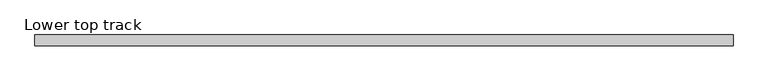
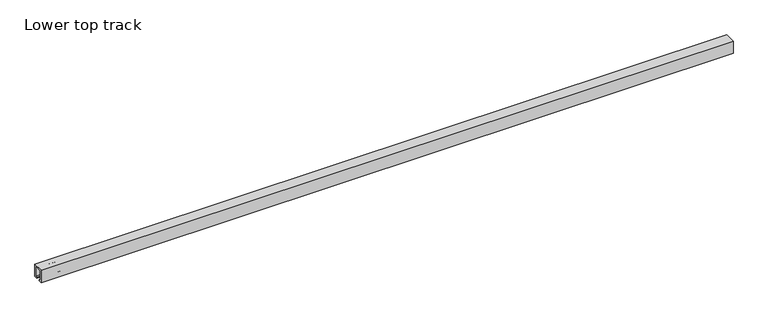
"""IFC4 building model written with IfcOpenShell, lengths in millimetres: proxy geometry, Lower top track."""

import ifcopenshell
import ifcopenshell.guid

model = None  # the IFC model being written
_history = None  # IfcOwnerHistory: only IFC2X3 demands one
_inside = {}  # id of a spatial element -> (the spatial element, [elements in it])
_under = {}  # id of a project, library or spatial element -> (it, [spatial elements below it])
_declared = {}  # id of a project -> (the project, [libraries it declares])
_typed = {}  # id of a type object -> (the type object, [elements of that type])
_made_of = {}  # id of a material, layer set ... -> (it, [elements and type objects made of it])


def new_model(schema):
    """Start an empty IFC model of exactly this schema.

    Asked for "IFC4X3", IfcOpenShell would pick the latest addendum, in which some entities
    have other attributes; the version numbers below select the first issue.
    IFC2X3 requires an IfcOwnerHistory on every rooted entity: one is made here for all.
    """
    global model, _history
    if schema == "IFC4X3":
        model = ifcopenshell.file(schema_version=(4, 3, 0, 0))
    else:
        model = ifcopenshell.file(schema=schema)
    _inside.clear()
    _under.clear()
    _declared.clear()
    _typed.clear()
    _made_of.clear()
    _history = None
    if model.schema == "IFC2X3":
        org = make("IfcOrganization", Name="unknown")
        user = make(
            "IfcPersonAndOrganization",
            ThePerson=make("IfcPerson", FamilyName="unknown"),
            TheOrganization=org,
        )
        app = make(
            "IfcApplication",
            ApplicationDeveloper=org,
            Version="unknown",
            ApplicationFullName="unknown",
            ApplicationIdentifier="unknown",
        )
        _history = make(
            "IfcOwnerHistory",
            OwningUser=user,
            OwningApplication=app,
            ChangeAction="ADDED",
            CreationDate=0,
        )
    return model


def make(cls, **values):
    """One entity of the class cls with the attributes given. An attribute that is None is left unset."""
    return model.create_entity(
        cls, **{name: value for name, value in values.items() if value is not None}
    )


def rooted(cls, **values):
    """An entity with a GlobalId (a new one), such as an element, a storey or a relation."""
    return make(cls, GlobalId=ifcopenshell.guid.new(), OwnerHistory=_history, **values)


def si_unit(unit_type, name, prefix=None):
    """IfcSIUnit, for example si_unit("LENGTHUNIT", "METRE", prefix="MILLI")."""
    return make("IfcSIUnit", UnitType=unit_type, Prefix=prefix, Name=name)


def assignment(units):
    """IfcUnitAssignment: the units of a project."""
    return None if units is None else make("IfcUnitAssignment", Units=units)


def point(xyz):
    """IfcCartesianPoint."""
    return None if xyz is None else make("IfcCartesianPoint", Coordinates=xyz)


def direction(xyz):
    """IfcDirection."""
    return None if xyz is None else make("IfcDirection", DirectionRatios=xyz)


def frame(location, z_axis=None, x_axis=None):
    """IfcAxis2Placement3D, a coordinate frame: its origin and axes. An axis left out is left unset."""
    return make(
        "IfcAxis2Placement3D",
        Location=point(location),
        Axis=direction(z_axis),
        RefDirection=direction(x_axis),
    )


def frame_2d(location, x_axis=None):
    """IfcAxis2Placement2D, a coordinate frame in the plane: its origin and x axis."""
    return make(
        "IfcAxis2Placement2D", Location=point(location), RefDirection=direction(x_axis)
    )


def origin():
    """The frame at (0, 0, 0) with its axes left unset."""
    return frame((0.0, 0.0, 0.0))


def place(relative_to, where):
    """IfcLocalPlacement: puts the frame where relative to a parent placement (None: the world)."""
    return make(
        "IfcLocalPlacement", PlacementRelTo=relative_to, RelativePlacement=where
    )


def context(
    kind, dimensions, precision=None, world=None, true_north=None, identifier=None
):
    """IfcGeometricRepresentationContext, for example the 3D "Model" context."""
    return make(
        "IfcGeometricRepresentationContext",
        ContextIdentifier=identifier,
        ContextType=kind,
        CoordinateSpaceDimension=dimensions,
        Precision=precision,
        WorldCoordinateSystem=world,
        TrueNorth=true_north,
    )


def project(units=None, contexts=None):
    """IfcProject with its units and contexts."""
    return rooted(
        "IfcProject",
        Name="project",
        RepresentationContexts=contexts,
        UnitsInContext=assignment(units),
    )


def spatial(cls, under=None, at=None, **own):
    """A site, building, storey or space (cls), placed at a placement, below another one or the project."""
    s = rooted(cls, ObjectPlacement=at, **own)
    if under is not None:
        _under.setdefault(under.id(), (under, []))[1].append(s)
    return s


def polyline(points):
    """IfcPolyline through the points."""
    return make("IfcPolyline", Points=[point(p) for p in points])


def circle_curve(where, radius):
    """IfcCircle in the frame where."""
    return make("IfcCircle", Position=where, Radius=radius)


def trimmed(basis, trim1, trim2, sense, master):
    """IfcTrimmedCurve: the piece of a basis curve between two trims."""
    return make(
        "IfcTrimmedCurve",
        BasisCurve=basis,
        Trim1=trim1,
        Trim2=trim2,
        SenseAgreement=sense,
        MasterRepresentation=master,
    )


def segment(curve, same_sense, transition):
    """IfcCompositeCurveSegment."""
    return make(
        "IfcCompositeCurveSegment",
        Transition=transition,
        SameSense=same_sense,
        ParentCurve=curve,
    )


def composite_curve(segments, self_intersect=None):
    """IfcCompositeCurve: segments joined end to end."""
    return make("IfcCompositeCurve", Segments=segments, SelfIntersect=self_intersect)


def outline(outer, holes=None, kind="AREA"):
    """IfcArbitraryClosedProfileDef: a profile drawn as a closed curve; with holes, ...WithVoids."""
    if holes is None:
        return make("IfcArbitraryClosedProfileDef", ProfileType=kind, OuterCurve=outer)
    return make(
        "IfcArbitraryProfileDefWithVoids",
        ProfileType=kind,
        OuterCurve=outer,
        InnerCurves=holes,
    )


def extrude(swept, where, along, depth):
    """IfcExtrudedAreaSolid: the profile swept, set in the frame where, extruded along a direction by depth."""
    return make(
        "IfcExtrudedAreaSolid",
        SweptArea=swept,
        Position=where,
        ExtrudedDirection=direction(along),
        Depth=depth,
    )


def shape(context_of_items, identifier, shape_type, items):
    """IfcShapeRepresentation: the items that make up one representation, for example the "Body"."""
    return make(
        "IfcShapeRepresentation",
        ContextOfItems=context_of_items,
        RepresentationIdentifier=identifier,
        RepresentationType=shape_type,
        Items=items,
    )


def source(mapping_origin, context_of_items, identifier, shape_type, items):
    """IfcRepresentationMap: a shape defined once, which mapped items show again and again."""
    return make(
        "IfcRepresentationMap",
        MappingOrigin=mapping_origin,
        MappedRepresentation=shape(context_of_items, identifier, shape_type, items),
    )


def transform(
    local_origin,
    x_axis=None,
    y_axis=None,
    z_axis=None,
    scale=None,
    scale2=None,
    scale3=None,
    uniform=True,
):
    """IfcCartesianTransformationOperator3D, or its non-uniform kind. x_axis, y_axis, z_axis: its Axis1, 2, 3."""
    if uniform:
        return make(
            "IfcCartesianTransformationOperator3D",
            Axis1=direction(x_axis),
            Axis2=direction(y_axis),
            LocalOrigin=point(local_origin),
            Scale=scale,
            Axis3=direction(z_axis),
        )
    return make(
        "IfcCartesianTransformationOperator3DnonUniform",
        Axis1=direction(x_axis),
        Axis2=direction(y_axis),
        LocalOrigin=point(local_origin),
        Scale=scale,
        Axis3=direction(z_axis),
        Scale2=scale2,
        Scale3=scale3,
    )


def mapped(mapping_source, mapping_target):
    """IfcMappedItem: shows the shape of a source again, moved by a transform."""
    return make(
        "IfcMappedItem", MappingSource=mapping_source, MappingTarget=mapping_target
    )


def made_of(thing, what):
    """Note that an element or type object is made of a material, layer set ...; save() writes the relation."""
    if what is not None:
        _made_of.setdefault(what.id(), (what, []))[1].append(thing)
    return thing


def element(
    cls,
    number,
    at=None,
    inside=None,
    cuts=None,
    type_object=None,
    material=None,
    context=None,
    identifier="Body",
    shape_type=None,
    held_by="IfcProductDefinitionShape",
    body=None,
    shapes=None,
    **own,
):
    """One element of the class cls, such as IfcWall. Its Tag is "e" and its number.

    at: its placement. inside: the storey or other place that contains it. cuts: it is an
    opening in that element (IfcRelVoidsElement). A single representation is given by context,
    identifier, shape_type and body (its items); several are given by shapes. held_by: the class
    of the entity that holds the representations. save() writes the other relations.
    """
    e = rooted(cls, Tag="e%d" % number, ObjectPlacement=at, **own)
    if body is not None:
        shapes = [shape(context, identifier, shape_type, body)]
    if shapes is not None:
        e.Representation = make(held_by, Representations=shapes)
    if inside is not None:
        _inside.setdefault(inside.id(), (inside, []))[1].append(e)
    if cuts is not None:
        rooted(
            "IfcRelVoidsElement", RelatingBuildingElement=cuts, RelatedOpeningElement=e
        )
    if type_object is not None:
        _typed.setdefault(type_object.id(), (type_object, []))[1].append(e)
    return made_of(e, material)


def aggregate(whole, parts):
    """IfcRelAggregates: a whole, such as a stair, and the parts it consists of."""
    return rooted("IfcRelAggregates", RelatingObject=whole, RelatedObjects=parts)


def save(model, path):
    """Write the relations noted so far, then the file.

    IfcRelAggregates (storeys below a building ...), IfcRelContainedInSpatialStructure (elements
    in a storey), IfcRelDefinesByType, IfcRelAssociatesMaterial and IfcRelDeclares: one each for
    every whole, place, type object, material and project.
    """
    for whole, parts in _under.values():
        aggregate(whole, parts)
    for where, things in _inside.values():
        rooted(
            "IfcRelContainedInSpatialStructure",
            RelatedElements=things,
            RelatingStructure=where,
        )
    for kind, things in _typed.values():
        rooted("IfcRelDefinesByType", RelatedObjects=things, RelatingType=kind)
    for what, things in _made_of.values():
        rooted("IfcRelAssociatesMaterial", RelatedObjects=things, RelatingMaterial=what)
    for by, libraries in _declared.values():
        rooted("IfcRelDeclares", RelatingContext=by, RelatedDefinitions=libraries)
    model.write(path)


def lower_top_track_4210e567(model_context):
    return source(origin(), model_context, "Body", "SweptSolid", [
        extrude(outline(polyline([(25.5, 66.0), (25.5, 15.5), (20.0, 15.5), (20.0, 16.5287081), (24.5, 16.5287081), (24.5, 66.1316525), (25.9646369, 71.5977519), (26.9999131, 71.5977519), (25.5, 66.0)])), frame((0.0, -8.5, 0.0), z_axis=(0.0, 1.0, 0.0), x_axis=(0.0, 0.0, 1.0)), (0.0, 0.0, 1.0), 17.0),
        extrude(outline(composite_curve([segment(trimmed(circle_curve(frame_2d((24.2, 0.0)), 3.0), [point((27.2, 0.0))], [point((21.2, 0.0))], False, "CARTESIAN"), True, "CONTINUOUS"), segment(trimmed(circle_curve(frame_2d((24.2, 0.0)), 3.0), [point((21.2, 0.0))], [point((27.2, 0.0))], False, "CARTESIAN"), True, "CONTINUOUS")], self_intersect=False)), frame((0.0, 0.0, 20.0), z_axis=(0.0, 0.0, 1.0), x_axis=(1.0, 0.0, 0.0)), (0.0, 0.0, 1.0), 15.7),
        extrude(outline(composite_curve([segment(trimmed(circle_curve(frame_2d((34.2, 0.0)), 3.0), [point((37.2, 0.0))], [point((31.2, 0.0))], False, "CARTESIAN"), True, "CONTINUOUS"), segment(trimmed(circle_curve(frame_2d((34.2, 0.0)), 3.0), [point((31.2, 0.0))], [point((37.2, 0.0))], False, "CARTESIAN"), True, "CONTINUOUS")], self_intersect=False)), frame((0.0, 0.0, 20.0), z_axis=(0.0, 0.0, 1.0), x_axis=(1.0, 0.0, 0.0)), (0.0, 0.0, 1.0), 15.7),
        extrude(outline(composite_curve([segment(trimmed(circle_curve(frame_2d((44.2, 0.0)), 3.0), [point((47.2, 0.0))], [point((41.2, 0.0))], False, "CARTESIAN"), True, "CONTINUOUS"), segment(trimmed(circle_curve(frame_2d((44.2, 0.0)), 3.0), [point((41.2, 0.0))], [point((47.2, 0.0))], False, "CARTESIAN"), True, "CONTINUOUS")], self_intersect=False)), frame((0.0, 0.0, 20.0), z_axis=(0.0, 0.0, 1.0), x_axis=(1.0, 0.0, 0.0)), (0.0, 0.0, 1.0), 15.7),
        extrude(outline(composite_curve([segment(trimmed(circle_curve(frame_2d((0.0, 10.7221855)), 6.1947208), [point((-6.1947208, 10.7221855))], [point((6.1947208, 10.7221855))], False, "CARTESIAN"), True, "CONTINUOUS"), segment(trimmed(circle_curve(frame_2d((0.0, 10.7221855)), 6.1947208), [point((6.1947208, 10.7221855))], [point((-6.1947208, 10.7221855))], False, "CARTESIAN"), True, "CONTINUOUS")], self_intersect=False)), frame((54.2, 0.0, 0.0), z_axis=(1.0, 0.0, 0.0), x_axis=(0.0, 1.0, 0.0)), (0.0, 0.0, 1.0), 6.0),
        extrude(outline(polyline([(13.0, 8.5), (54.2, 8.5), (54.2, -8.5), (13.0, -8.5), (13.0, 8.5)])), frame((0.0, 0.0, 3.0), z_axis=(0.0, 0.0, 1.0), x_axis=(1.0, 0.0, 0.0)), (0.0, 0.0, 1.0), 17.0),
        extrude(outline(polyline([(-15.0, 37.0), (15.0, 37.0), (15.0, 0.0), (7.0, 0.0), (7.0, 3.0), (12.0, 3.0), (12.0, 34.0), (-12.0, 34.0), (-12.0, 3.0), (-7.0, 3.0), (-7.0, 0.0), (-15.0, 0.0), (-15.0, 37.0)])), frame((0.0, 0.0, 0.0), z_axis=(1.0, 0.0, 0.0), x_axis=(0.0, 1.0, 0.0)), (0.0, 0.0, 1.0), 1950.0),
    ])


if __name__ == "__main__":
    model = new_model("IFC4")
    model_context = context("Model", 3, world=origin())
    ifc_project = project(units=[si_unit("LENGTHUNIT", "METRE", prefix="MILLI")], contexts=[model_context])
    site = spatial("IfcSite", under=ifc_project)
    building = spatial("IfcBuilding", under=site)
    placement = place(None, origin())
    lower_top_track_shape = lower_top_track_4210e567(model_context)
    element("IfcBuildingElementProxy", 1, Name="Lower top track", ObjectType="Lower top track", at=placement, inside=building, context=model_context, shape_type="MappedRepresentation", body=[
        mapped(lower_top_track_shape, transform((0.0, 0.0, 0.0), x_axis=(1.0, 0.0, 0.0), y_axis=(0.0, 1.0, 0.0), z_axis=(0.0, 0.0, 1.0))),
    ])
    save(model, "model.ifc")
